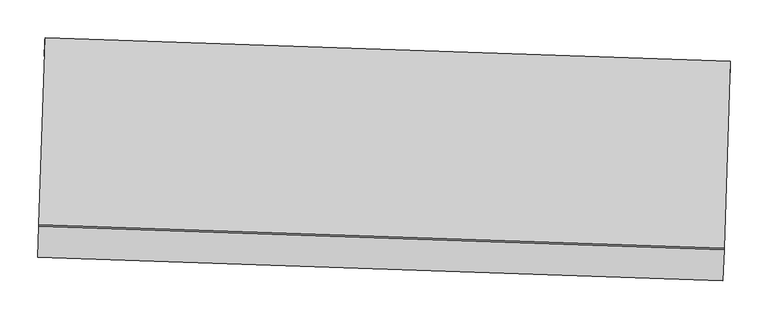
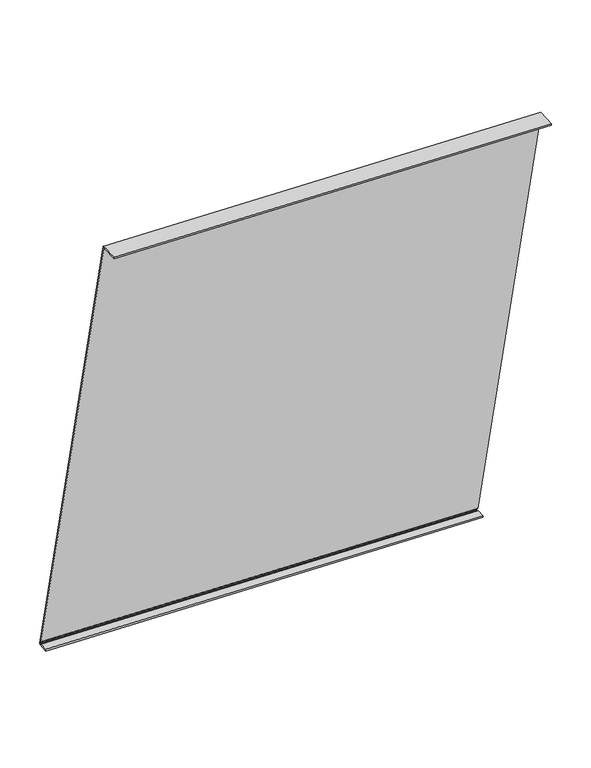
"""IFC4 building model written with IfcOpenShell, lengths in millimetres: proxy geometry."""

from ifc_helpers import new_model, si_unit, frame, origin, place, context, project, spatial, polyline, outline, extrude, source, transform, mapped, element, save


def generic_models_22959e49(model_context):
    return source(origin(), model_context, "Body", "SweptSolid", [
        extrude(outline(polyline([(-0.0009462, 0.0), (2.9870098, -1e-07), (35.2135294, -25.9755284), (33.0427349, -28.668723), (4.2334666, -5.4476003), (4.0129875, -3.4003977), (2.5296865, -2.2048132), (2.4338853, -1.3152742), (0.3816024, -1.5350857), (0.4601022, -2.4318794), (-0.7642028, -3.8911068), (-0.6761385, -4.8976998), (-844.5467742, -657.9847914), (-849.1479507, -658.3874509), (-850.3722557, -659.8466784), (-851.2557861, -659.9240144), (-851.0402644, -661.9251858), (-850.1496142, -661.8297915), (-848.6673663, -663.0245272), (-845.9041932, -662.728575), (-831.8119075, -674.0873742), (-834.3043652, -677.17964), (-852.2685011, -662.7000149), (-852.2685011, -659.585623), (-0.0009462, 0.0)])), frame((34355.8533993, -15433.1302249, 1063.5063459), z_axis=(-0.9994149478931369, 0.03420178252311875, 0.0), x_axis=(-0.026628604062396227, -0.7781180680708671, 0.6275533360498926)), (0.0, 0.0, 1.0), 914.4),
    ])


if __name__ == "__main__":
    model = new_model("IFC4")
    model_context = context("Model", 3, world=origin())
    ifc_project = project(units=[si_unit("LENGTHUNIT", "METRE", prefix="MILLI")], contexts=[model_context])
    site = spatial("IfcSite", under=ifc_project)
    building = spatial("IfcBuilding", under=site)
    placement = place(None, origin())
    generic_models_shape = generic_models_22959e49(model_context)
    element("IfcBuildingElementProxy", 1, Name="Generic Models", at=placement, inside=building, context=model_context, shape_type="MappedRepresentation", body=[
        mapped(generic_models_shape, transform((0.0, 0.0, 0.0), x_axis=(1.0, 0.0, 0.0), y_axis=(0.0, 1.0, 0.0), z_axis=(0.0, 0.0, 1.0))),
    ])
    save(model, "model.ifc")
